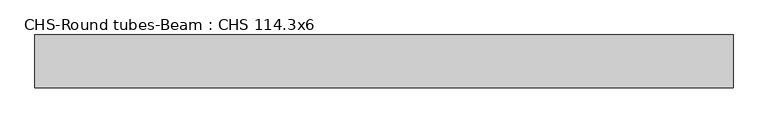
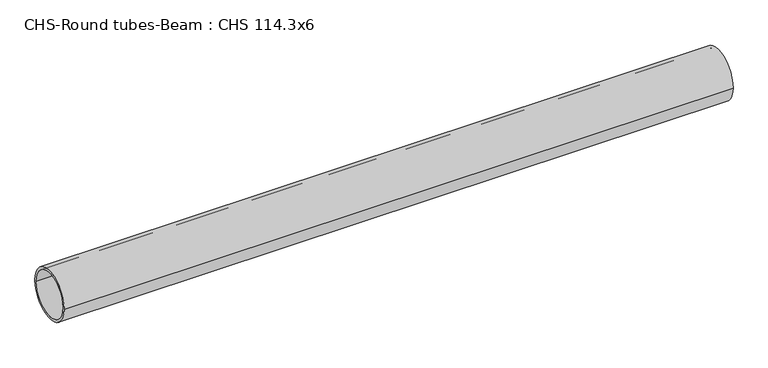
"""IFC4 building model written with IfcOpenShell, lengths in millimetres: beam geometry, CHS-Round tubes-Beam : CHS 114.3x6."""

from ifc_helpers import new_model, si_unit, point, frame, origin, origin_2d, place, context, project, spatial, circle_curve, trimmed, segment, composite_curve, outline, extrude, source, transform, mapped, element, save


def chs_round_tubes_beam_chs_114_3x6_d5bbf977(model_context):
    return source(origin(), model_context, "Body", "SweptSolid", [
        extrude(outline(composite_curve([segment(trimmed(circle_curve(origin_2d(), 57.15), [point((57.15, 0.0))], [point((-57.15, 0.0))], False, "CARTESIAN"), True, "CONTINUOUS"), segment(trimmed(circle_curve(origin_2d(), 57.15), [point((-57.15, 0.0))], [point((57.15, 0.0))], False, "CARTESIAN"), True, "CONTINUOUS")], self_intersect=False), holes=[composite_curve([segment(trimmed(circle_curve(origin_2d(), 51.15), [point((51.15, 0.0))], [point((-51.15, 0.0))], True, "CARTESIAN"), True, "CONTINUOUS"), segment(trimmed(circle_curve(origin_2d(), 51.15), [point((-51.15, 0.0))], [point((51.15, 0.0))], True, "CARTESIAN"), True, "CONTINUOUS")], self_intersect=False)]), frame((-746.5123982, 0.0, 0.0), z_axis=(1.0, 0.0, 0.0), x_axis=(0.0, 1.0, 0.0)), (0.0, 0.0, 1.0), 1506.8538403),
    ])


if __name__ == "__main__":
    model = new_model("IFC4")
    model_context = context("Model", 3, world=origin())
    ifc_project = project(units=[si_unit("LENGTHUNIT", "METRE", prefix="MILLI")], contexts=[model_context])
    site = spatial("IfcSite", under=ifc_project)
    building = spatial("IfcBuilding", under=site)
    placement = place(None, origin())
    chs_round_tubes_beam_chs_114_3x6_shape = chs_round_tubes_beam_chs_114_3x6_d5bbf977(model_context)
    element("IfcBeam", 1, ObjectType="CHS-Round tubes-Beam : CHS 114.3x6", at=placement, inside=building, context=model_context, shape_type="MappedRepresentation", body=[
        mapped(chs_round_tubes_beam_chs_114_3x6_shape, transform((0.0, 0.0, 0.0), x_axis=(1.0, 0.0, 0.0), y_axis=(0.0, 1.0, 0.0), z_axis=(0.0, 0.0, 1.0))),
    ])
    save(model, "model.ifc")
